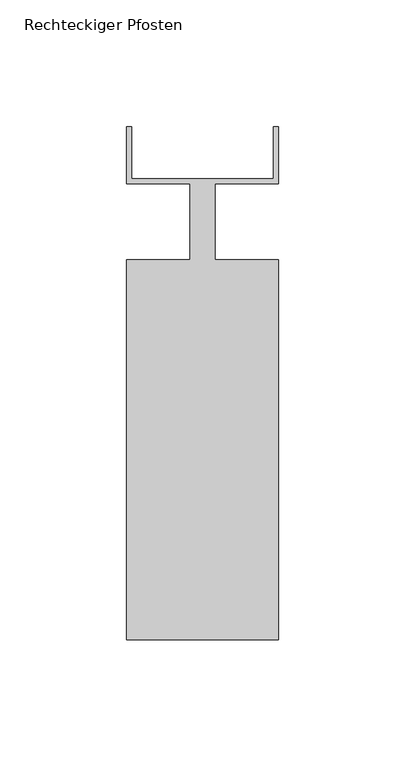
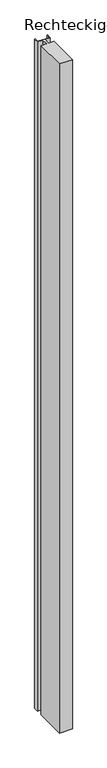
"""IFC4 building model written with IfcOpenShell, lengths in millimetres: member geometry, Rechteckiger Pfosten."""

from ifc_helpers import new_model, si_unit, frame, origin, place, context, project, spatial, polyline, outline, extrude, source, transform, mapped, element, save


def rechteckiger_pfosten_f5c08b24(model_context):
    return source(origin(), model_context, "Body", "SweptSolid", [
        extrude(outline(polyline([(-2.0, 37.5), (0.0, 37.5), (0.0, 15.0), (-25.0, 15.0), (-25.0, -15.0), (0.0, -15.0), (0.0, -165.0), (-60.0, -165.0), (-60.0, -15.0), (-35.0, -15.0), (-35.0, 15.0), (-60.0, 15.0), (-60.0, 37.5), (-58.0, 37.5), (-58.0, 17.0), (-2.0, 17.0), (-2.0, 37.5)])), frame((0.0, 0.0, -3330.0), z_axis=(0.0, 0.0, 1.0), x_axis=(1.0, 0.0, 0.0)), (0.0, 0.0, 1.0), 3330.0),
    ])


if __name__ == "__main__":
    model = new_model("IFC4")
    model_context = context("Model", 3, world=origin())
    ifc_project = project(units=[si_unit("LENGTHUNIT", "METRE", prefix="MILLI")], contexts=[model_context])
    site = spatial("IfcSite", under=ifc_project)
    building = spatial("IfcBuilding", under=site)
    placement = place(None, origin())
    rechteckiger_pfosten_shape = rechteckiger_pfosten_f5c08b24(model_context)
    element("IfcMember", 1, ObjectType="Rechteckiger Pfosten", at=placement, inside=building, context=model_context, shape_type="MappedRepresentation", body=[
        mapped(rechteckiger_pfosten_shape, transform((0.0, 0.0, 0.0), x_axis=(1.0, 0.0, 0.0), y_axis=(0.0, 1.0, 0.0), z_axis=(0.0, 0.0, 1.0))),
    ])
    save(model, "model.ifc")
